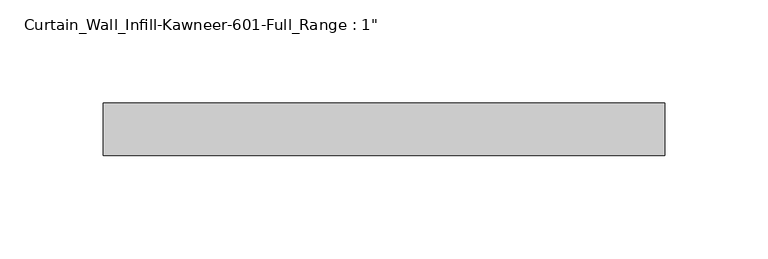
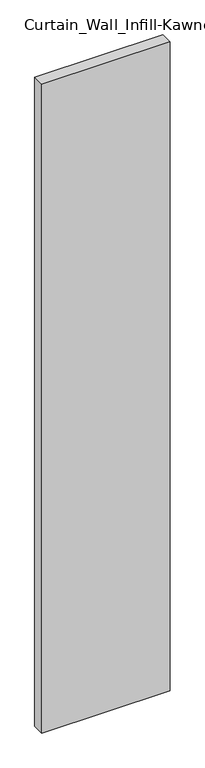
"""IFC4 building model written with IfcOpenShell, lengths in millimetres: plate geometry."""

import ifcopenshell
import ifcopenshell.guid

model = None  # the IFC model being written
_history = None  # IfcOwnerHistory: only IFC2X3 demands one
_inside = {}  # id of a spatial element -> (the spatial element, [elements in it])
_under = {}  # id of a project, library or spatial element -> (it, [spatial elements below it])
_declared = {}  # id of a project -> (the project, [libraries it declares])
_typed = {}  # id of a type object -> (the type object, [elements of that type])
_made_of = {}  # id of a material, layer set ... -> (it, [elements and type objects made of it])


def new_model(schema):
    """Start an empty IFC model of exactly this schema.

    Asked for "IFC4X3", IfcOpenShell would pick the latest addendum, in which some entities
    have other attributes; the version numbers below select the first issue.
    IFC2X3 requires an IfcOwnerHistory on every rooted entity: one is made here for all.
    """
    global model, _history
    if schema == "IFC4X3":
        model = ifcopenshell.file(schema_version=(4, 3, 0, 0))
    else:
        model = ifcopenshell.file(schema=schema)
    _inside.clear()
    _under.clear()
    _declared.clear()
    _typed.clear()
    _made_of.clear()
    _history = None
    if model.schema == "IFC2X3":
        org = make("IfcOrganization", Name="unknown")
        user = make(
            "IfcPersonAndOrganization",
            ThePerson=make("IfcPerson", FamilyName="unknown"),
            TheOrganization=org,
        )
        app = make(
            "IfcApplication",
            ApplicationDeveloper=org,
            Version="unknown",
            ApplicationFullName="unknown",
            ApplicationIdentifier="unknown",
        )
        _history = make(
            "IfcOwnerHistory",
            OwningUser=user,
            OwningApplication=app,
            ChangeAction="ADDED",
            CreationDate=0,
        )
    return model


def make(cls, **values):
    """One entity of the class cls with the attributes given. An attribute that is None is left unset."""
    return model.create_entity(
        cls, **{name: value for name, value in values.items() if value is not None}
    )


def rooted(cls, **values):
    """An entity with a GlobalId (a new one), such as an element, a storey or a relation."""
    return make(cls, GlobalId=ifcopenshell.guid.new(), OwnerHistory=_history, **values)


def si_unit(unit_type, name, prefix=None):
    """IfcSIUnit, for example si_unit("LENGTHUNIT", "METRE", prefix="MILLI")."""
    return make("IfcSIUnit", UnitType=unit_type, Prefix=prefix, Name=name)


def assignment(units):
    """IfcUnitAssignment: the units of a project."""
    return None if units is None else make("IfcUnitAssignment", Units=units)


def point(xyz):
    """IfcCartesianPoint."""
    return None if xyz is None else make("IfcCartesianPoint", Coordinates=xyz)


def direction(xyz):
    """IfcDirection."""
    return None if xyz is None else make("IfcDirection", DirectionRatios=xyz)


def frame(location, z_axis=None, x_axis=None):
    """IfcAxis2Placement3D, a coordinate frame: its origin and axes. An axis left out is left unset."""
    return make(
        "IfcAxis2Placement3D",
        Location=point(location),
        Axis=direction(z_axis),
        RefDirection=direction(x_axis),
    )


def origin():
    """The frame at (0, 0, 0) with its axes left unset."""
    return frame((0.0, 0.0, 0.0))


def origin_with_axes():
    """The frame at (0, 0, 0) with the z axis (0, 0, 1) and the x axis (1, 0, 0) written out."""
    return frame((0.0, 0.0, 0.0), z_axis=(0.0, 0.0, 1.0), x_axis=(1.0, 0.0, 0.0))


def place(relative_to, where):
    """IfcLocalPlacement: puts the frame where relative to a parent placement (None: the world)."""
    return make(
        "IfcLocalPlacement", PlacementRelTo=relative_to, RelativePlacement=where
    )


def context(
    kind, dimensions, precision=None, world=None, true_north=None, identifier=None
):
    """IfcGeometricRepresentationContext, for example the 3D "Model" context."""
    return make(
        "IfcGeometricRepresentationContext",
        ContextIdentifier=identifier,
        ContextType=kind,
        CoordinateSpaceDimension=dimensions,
        Precision=precision,
        WorldCoordinateSystem=world,
        TrueNorth=true_north,
    )


def project(units=None, contexts=None):
    """IfcProject with its units and contexts."""
    return rooted(
        "IfcProject",
        Name="project",
        RepresentationContexts=contexts,
        UnitsInContext=assignment(units),
    )


def spatial(cls, under=None, at=None, **own):
    """A site, building, storey or space (cls), placed at a placement, below another one or the project."""
    s = rooted(cls, ObjectPlacement=at, **own)
    if under is not None:
        _under.setdefault(under.id(), (under, []))[1].append(s)
    return s


def polyline(points):
    """IfcPolyline through the points."""
    return make("IfcPolyline", Points=[point(p) for p in points])


def outline(outer, holes=None, kind="AREA"):
    """IfcArbitraryClosedProfileDef: a profile drawn as a closed curve; with holes, ...WithVoids."""
    if holes is None:
        return make("IfcArbitraryClosedProfileDef", ProfileType=kind, OuterCurve=outer)
    return make(
        "IfcArbitraryProfileDefWithVoids",
        ProfileType=kind,
        OuterCurve=outer,
        InnerCurves=holes,
    )


def extrude(swept, where, along, depth):
    """IfcExtrudedAreaSolid: the profile swept, set in the frame where, extruded along a direction by depth."""
    return make(
        "IfcExtrudedAreaSolid",
        SweptArea=swept,
        Position=where,
        ExtrudedDirection=direction(along),
        Depth=depth,
    )


def shape(context_of_items, identifier, shape_type, items):
    """IfcShapeRepresentation: the items that make up one representation, for example the "Body"."""
    return make(
        "IfcShapeRepresentation",
        ContextOfItems=context_of_items,
        RepresentationIdentifier=identifier,
        RepresentationType=shape_type,
        Items=items,
    )


def source(mapping_origin, context_of_items, identifier, shape_type, items):
    """IfcRepresentationMap: a shape defined once, which mapped items show again and again."""
    return make(
        "IfcRepresentationMap",
        MappingOrigin=mapping_origin,
        MappedRepresentation=shape(context_of_items, identifier, shape_type, items),
    )


def transform(
    local_origin,
    x_axis=None,
    y_axis=None,
    z_axis=None,
    scale=None,
    scale2=None,
    scale3=None,
    uniform=True,
):
    """IfcCartesianTransformationOperator3D, or its non-uniform kind. x_axis, y_axis, z_axis: its Axis1, 2, 3."""
    if uniform:
        return make(
            "IfcCartesianTransformationOperator3D",
            Axis1=direction(x_axis),
            Axis2=direction(y_axis),
            LocalOrigin=point(local_origin),
            Scale=scale,
            Axis3=direction(z_axis),
        )
    return make(
        "IfcCartesianTransformationOperator3DnonUniform",
        Axis1=direction(x_axis),
        Axis2=direction(y_axis),
        LocalOrigin=point(local_origin),
        Scale=scale,
        Axis3=direction(z_axis),
        Scale2=scale2,
        Scale3=scale3,
    )


def mapped(mapping_source, mapping_target):
    """IfcMappedItem: shows the shape of a source again, moved by a transform."""
    return make(
        "IfcMappedItem", MappingSource=mapping_source, MappingTarget=mapping_target
    )


def made_of(thing, what):
    """Note that an element or type object is made of a material, layer set ...; save() writes the relation."""
    if what is not None:
        _made_of.setdefault(what.id(), (what, []))[1].append(thing)
    return thing


def element(
    cls,
    number,
    at=None,
    inside=None,
    cuts=None,
    type_object=None,
    material=None,
    context=None,
    identifier="Body",
    shape_type=None,
    held_by="IfcProductDefinitionShape",
    body=None,
    shapes=None,
    **own,
):
    """One element of the class cls, such as IfcWall. Its Tag is "e" and its number.

    at: its placement. inside: the storey or other place that contains it. cuts: it is an
    opening in that element (IfcRelVoidsElement). A single representation is given by context,
    identifier, shape_type and body (its items); several are given by shapes. held_by: the class
    of the entity that holds the representations. save() writes the other relations.
    """
    e = rooted(cls, Tag="e%d" % number, ObjectPlacement=at, **own)
    if body is not None:
        shapes = [shape(context, identifier, shape_type, body)]
    if shapes is not None:
        e.Representation = make(held_by, Representations=shapes)
    if inside is not None:
        _inside.setdefault(inside.id(), (inside, []))[1].append(e)
    if cuts is not None:
        rooted(
            "IfcRelVoidsElement", RelatingBuildingElement=cuts, RelatedOpeningElement=e
        )
    if type_object is not None:
        _typed.setdefault(type_object.id(), (type_object, []))[1].append(e)
    return made_of(e, material)


def aggregate(whole, parts):
    """IfcRelAggregates: a whole, such as a stair, and the parts it consists of."""
    return rooted("IfcRelAggregates", RelatingObject=whole, RelatedObjects=parts)


def save(model, path):
    """Write the relations noted so far, then the file.

    IfcRelAggregates (storeys below a building ...), IfcRelContainedInSpatialStructure (elements
    in a storey), IfcRelDefinesByType, IfcRelAssociatesMaterial and IfcRelDeclares: one each for
    every whole, place, type object, material and project.
    """
    for whole, parts in _under.values():
        aggregate(whole, parts)
    for where, things in _inside.values():
        rooted(
            "IfcRelContainedInSpatialStructure",
            RelatedElements=things,
            RelatingStructure=where,
        )
    for kind, things in _typed.values():
        rooted("IfcRelDefinesByType", RelatedObjects=things, RelatingType=kind)
    for what, things in _made_of.values():
        rooted("IfcRelAssociatesMaterial", RelatedObjects=things, RelatingMaterial=what)
    for by, libraries in _declared.values():
        rooted("IfcRelDeclares", RelatingContext=by, RelatedDefinitions=libraries)
    model.write(path)


def plate_972bb568(model_context):
    return source(origin(), model_context, "Body", "SweptSolid", [
        extrude(outline(polyline([(-135.9958333, -12.7), (-135.9958333, 12.7), (135.9958333, 12.7), (135.9958333, -12.7), (-135.9958333, -12.7)])), origin_with_axes(), (0.0, 0.0, 1.0), 1454.15),
    ])


if __name__ == "__main__":
    model = new_model("IFC4")
    model_context = context("Model", 3, world=origin())
    ifc_project = project(units=[si_unit("LENGTHUNIT", "METRE", prefix="MILLI")], contexts=[model_context])
    site = spatial("IfcSite", under=ifc_project)
    building = spatial("IfcBuilding", under=site)
    placement = place(None, origin())
    plate_shape = plate_972bb568(model_context)
    element("IfcPlate", 1, ObjectType="Curtain_Wall_Infill-Kawneer-601-Full_Range : 1\"", at=placement, inside=building, context=model_context, shape_type="MappedRepresentation", body=[
        mapped(plate_shape, transform((0.0, 0.0, 0.0), x_axis=(1.0, 0.0, 0.0), y_axis=(0.0, 1.0, 0.0), z_axis=(0.0, 0.0, 1.0))),
    ])
    save(model, "model.ifc")
